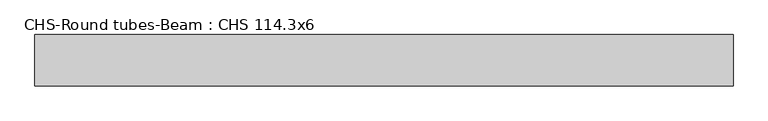
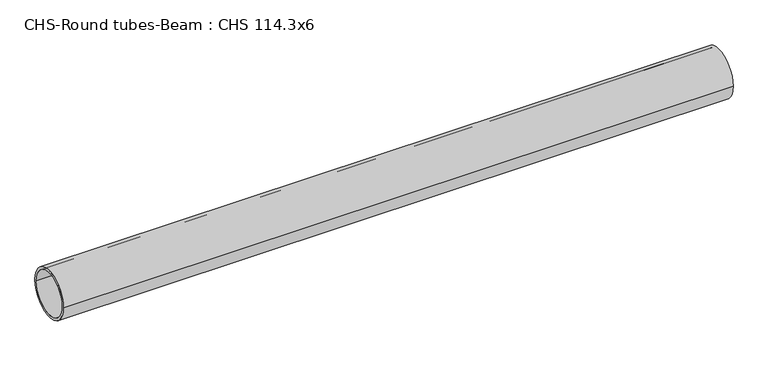
"""IFC4 building model written with IfcOpenShell, lengths in millimetres: beam geometry, CHS-Round tubes-Beam : CHS 114.3x6."""

from ifc_helpers import new_model, si_unit, point, frame, origin, origin_2d, place, context, project, spatial, circle_curve, trimmed, segment, composite_curve, outline, extrude, source, transform, mapped, element, save


def chs_round_tubes_beam_chs_114_3x6_2cb88f15(model_context):
    return source(origin(), model_context, "Body", "SweptSolid", [
        extrude(outline(composite_curve([segment(trimmed(circle_curve(origin_2d(), 57.15), [point((57.15, 0.0))], [point((-57.15, 0.0))], False, "CARTESIAN"), True, "CONTINUOUS"), segment(trimmed(circle_curve(origin_2d(), 57.15), [point((-57.15, 0.0))], [point((57.15, 0.0))], False, "CARTESIAN"), True, "CONTINUOUS")], self_intersect=False), holes=[composite_curve([segment(trimmed(circle_curve(origin_2d(), 51.15), [point((51.15, 0.0))], [point((-51.15, 0.0))], True, "CARTESIAN"), True, "CONTINUOUS"), segment(trimmed(circle_curve(origin_2d(), 51.15), [point((-51.15, 0.0))], [point((51.15, 0.0))], True, "CARTESIAN"), True, "CONTINUOUS")], self_intersect=False)]), frame((-751.6154708, 0.0, 0.0), z_axis=(1.0, 0.0, 0.0), x_axis=(0.0, 1.0, 0.0)), (0.0, 0.0, 1.0), 1555.9484335),
    ])


if __name__ == "__main__":
    model = new_model("IFC4")
    model_context = context("Model", 3, world=origin())
    ifc_project = project(units=[si_unit("LENGTHUNIT", "METRE", prefix="MILLI")], contexts=[model_context])
    site = spatial("IfcSite", under=ifc_project)
    building = spatial("IfcBuilding", under=site)
    placement = place(None, origin())
    chs_round_tubes_beam_chs_114_3x6_shape = chs_round_tubes_beam_chs_114_3x6_2cb88f15(model_context)
    element("IfcBeam", 1, ObjectType="CHS-Round tubes-Beam : CHS 114.3x6", at=placement, inside=building, context=model_context, shape_type="MappedRepresentation", body=[
        mapped(chs_round_tubes_beam_chs_114_3x6_shape, transform((0.0, 0.0, 0.0), x_axis=(1.0, 0.0, 0.0), y_axis=(0.0, 1.0, 0.0), z_axis=(0.0, 0.0, 1.0))),
    ])
    save(model, "model.ifc")
